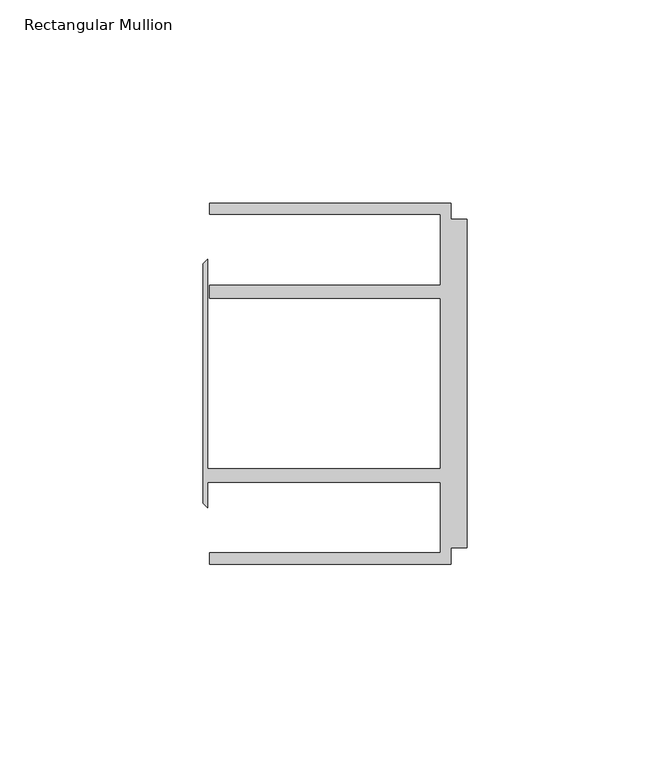
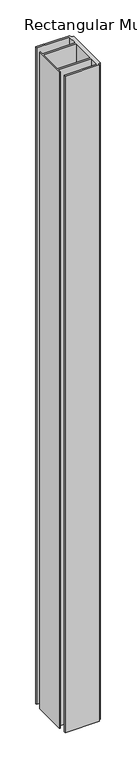
"""IFC4 building model written with IfcOpenShell, lengths in millimetres: member geometry, Rectangular Mullion."""

from ifc_helpers import new_model, si_unit, frame, origin, place, context, project, spatial, polyline, outline, extrude, source, transform, mapped, element, save


def rectangular_mullion_27e34358(model_context):
    return source(origin(), model_context, "Body", "SweptSolid", [
        extrude(outline(polyline([(-4.0000001, 44.45), (-4.0000001, 40.4500013), (0.0, 40.4500013), (0.0, -40.4500013), (-4.0000001, -40.4500013), (-4.0000001, -44.45), (-63.5, -44.45), (-63.5, -41.6500013), (-6.6000002, -41.6500013), (-6.6000002, -24.2500008), (-63.9424102, -24.2500008), (-63.9424102, -30.6159585), (-65.0875, -29.4708687), (-65.0875, 29.4708687), (-63.9424102, 30.6159585), (-63.9424102, -20.9500007), (-6.6000002, -20.9500007), (-6.6000002, 20.9500007), (-63.5, 20.9500007), (-63.5, 24.2500008), (-6.6000002, 24.2500008), (-6.6000002, 41.6500013), (-63.5, 41.6500013), (-63.5, 44.45), (-4.0000001, 44.45)])), frame((0.0, 0.0, -1209.7412717), z_axis=(0.0, 0.0, 1.0), x_axis=(1.0, 0.0, 0.0)), (0.0, 0.0, 1.0), 1209.7412717),
    ])


if __name__ == "__main__":
    model = new_model("IFC4")
    model_context = context("Model", 3, world=origin())
    ifc_project = project(units=[si_unit("LENGTHUNIT", "METRE", prefix="MILLI")], contexts=[model_context])
    site = spatial("IfcSite", under=ifc_project)
    building = spatial("IfcBuilding", under=site)
    placement = place(None, origin())
    rectangular_mullion_shape = rectangular_mullion_27e34358(model_context)
    element("IfcMember", 1, ObjectType="Rectangular Mullion", at=placement, inside=building, context=model_context, shape_type="MappedRepresentation", body=[
        mapped(rectangular_mullion_shape, transform((0.0, 0.0, 0.0), x_axis=(1.0, 0.0, 0.0), y_axis=(0.0, 1.0, 0.0), z_axis=(0.0, 0.0, 1.0))),
    ])
    save(model, "model.ifc")
